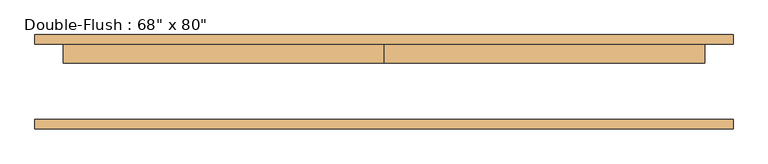
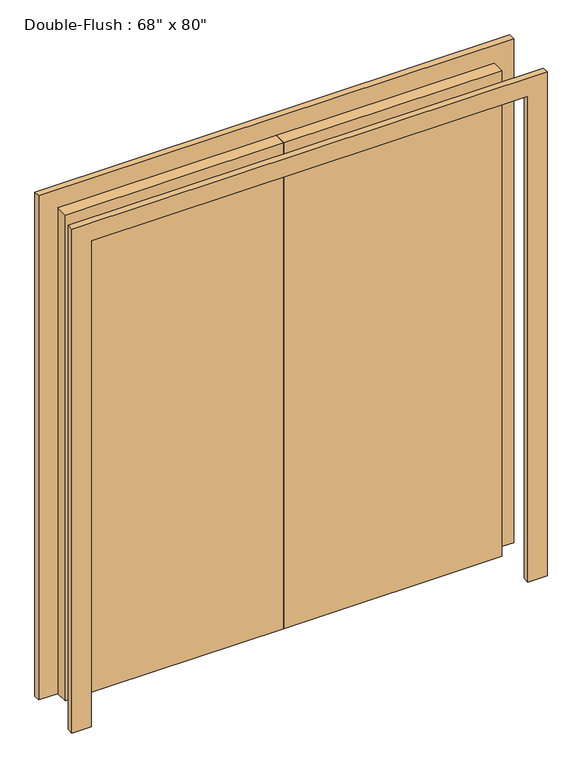
"""IFC4 building model written with IfcOpenShell, lengths in millimetres: door geometry."""

from ifc_helpers import new_model, si_unit, frame, origin, origin_with_axes, place, context, project, spatial, polyline, outline, extrude, source, transform, mapped, element, save


def door_c5f8a672(model_context):
    return source(origin(), model_context, "Body", "SweptSolid", [
        extrude(outline(polyline([(0.0, 101.6), (863.6, 101.6), (863.6, 50.8), (0.0, 50.8), (0.0, 101.6)])), origin_with_axes(), (0.0, 0.0, 1.0), 2032.0),
        extrude(outline(polyline([(-863.6, 101.6), (0.0, 101.6), (0.0, 50.8), (-863.6, 50.8), (-863.6, 101.6)])), origin_with_axes(), (0.0, 0.0, 1.0), 2032.0),
        extrude(outline(polyline([(2032.0, -863.6), (2032.0, 863.6), (0.0, 863.6), (0.0, 939.8), (2108.2, 939.8), (2108.2, -939.8), (0.0, -939.8), (0.0, -863.6), (2032.0, -863.6)])), frame((0.0, -127.0, 0.0), z_axis=(0.0, 1.0, 0.0), x_axis=(0.0, 0.0, 1.0)), (0.0, 0.0, 1.0), 25.4),
        extrude(outline(polyline([(2032.0, -863.6), (2032.0, 863.6), (0.0, 863.6), (0.0, 939.8), (2108.2, 939.8), (2108.2, -939.8), (0.0, -939.8), (0.0, -863.6), (2032.0, -863.6)])), frame((0.0, 101.6, 0.0), z_axis=(0.0, 1.0, 0.0), x_axis=(0.0, 0.0, 1.0)), (0.0, 0.0, 1.0), 25.4),
    ])


if __name__ == "__main__":
    model = new_model("IFC4")
    model_context = context("Model", 3, world=origin())
    ifc_project = project(units=[si_unit("LENGTHUNIT", "METRE", prefix="MILLI")], contexts=[model_context])
    site = spatial("IfcSite", under=ifc_project)
    building = spatial("IfcBuilding", under=site)
    placement = place(None, origin())
    door_shape = door_c5f8a672(model_context)
    element("IfcDoor", 1, ObjectType="Double-Flush : 68\" x 80\"", at=placement, inside=building, context=model_context, shape_type="MappedRepresentation", body=[
        mapped(door_shape, transform((0.0, 0.0, 0.0), x_axis=(1.0, 0.0, 0.0), y_axis=(0.0, 1.0, 0.0), z_axis=(0.0, 0.0, 1.0))),
    ])
    save(model, "model.ifc")
